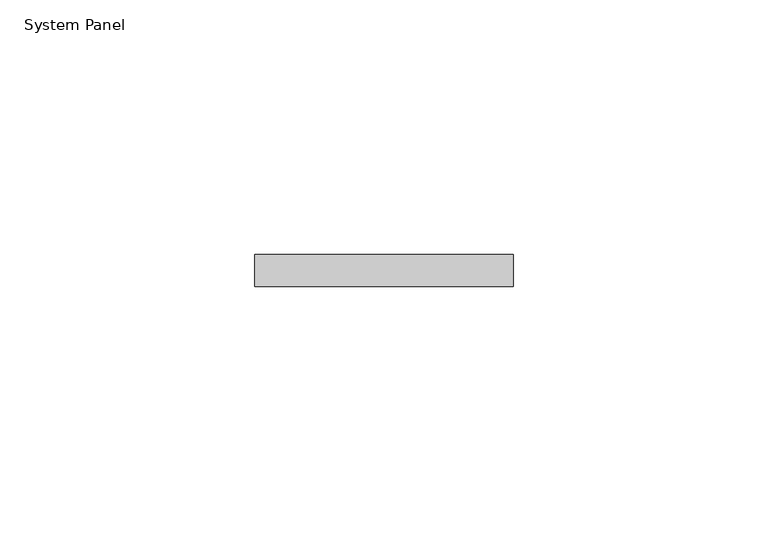
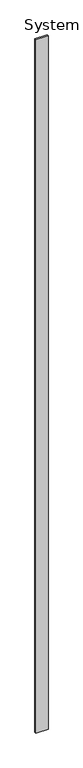
"""IFC4 building model written with IfcOpenShell, lengths in millimetres: plate geometry, System Panel."""

from ifc_helpers import new_model, si_unit, origin, origin_with_axes, place, context, project, spatial, polyline, outline, extrude, source, transform, mapped, element, save


def system_panel_f9a3c556(model_context):
    return source(origin(), model_context, "Body", "SweptSolid", [
        extrude(outline(polyline([(25.4, -6.35), (-25.4, -6.35), (-25.4, 0.0), (25.4, 0.0), (25.4, -6.35)])), origin_with_axes(), (0.0, 0.0, 1.0), 3048.0),
    ])


if __name__ == "__main__":
    model = new_model("IFC4")
    model_context = context("Model", 3, world=origin())
    ifc_project = project(units=[si_unit("LENGTHUNIT", "METRE", prefix="MILLI")], contexts=[model_context])
    site = spatial("IfcSite", under=ifc_project)
    building = spatial("IfcBuilding", under=site)
    placement = place(None, origin())
    system_panel_shape = system_panel_f9a3c556(model_context)
    element("IfcPlate", 1, ObjectType="System Panel", at=placement, inside=building, context=model_context, shape_type="MappedRepresentation", body=[
        mapped(system_panel_shape, transform((0.0, 0.0, 0.0), x_axis=(1.0, 0.0, 0.0), y_axis=(0.0, 1.0, 0.0), z_axis=(0.0, 0.0, 1.0))),
    ])
    save(model, "model.ifc")
